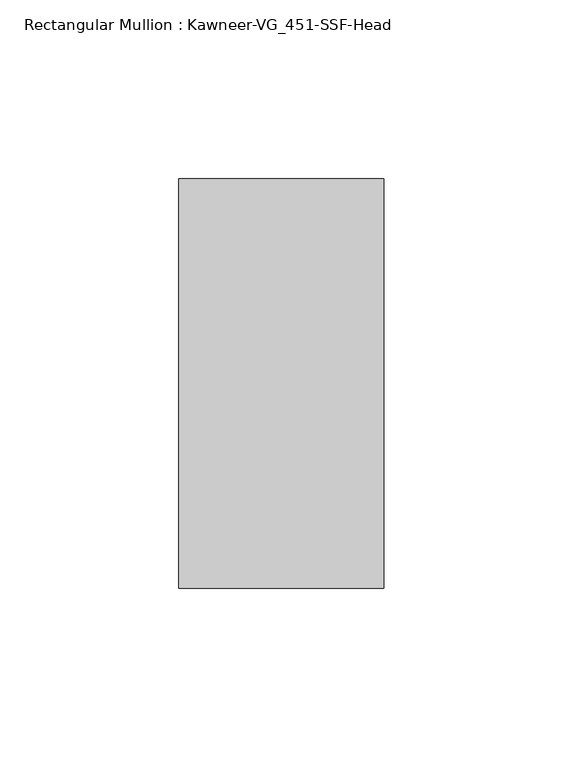
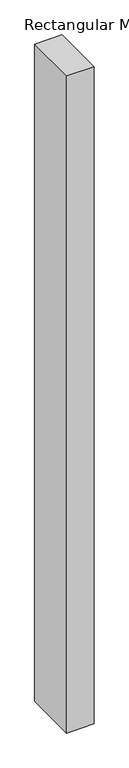
"""IFC4 building model written with IfcOpenShell, lengths in millimetres: member geometry, Rectangular Mullion : Kawneer-VG_451-SSF-Head."""

import ifcopenshell
import ifcopenshell.guid

model = None  # the IFC model being written
_history = None  # IfcOwnerHistory: only IFC2X3 demands one
_inside = {}  # id of a spatial element -> (the spatial element, [elements in it])
_under = {}  # id of a project, library or spatial element -> (it, [spatial elements below it])
_declared = {}  # id of a project -> (the project, [libraries it declares])
_typed = {}  # id of a type object -> (the type object, [elements of that type])
_made_of = {}  # id of a material, layer set ... -> (it, [elements and type objects made of it])


def new_model(schema):
    """Start an empty IFC model of exactly this schema.

    Asked for "IFC4X3", IfcOpenShell would pick the latest addendum, in which some entities
    have other attributes; the version numbers below select the first issue.
    IFC2X3 requires an IfcOwnerHistory on every rooted entity: one is made here for all.
    """
    global model, _history
    if schema == "IFC4X3":
        model = ifcopenshell.file(schema_version=(4, 3, 0, 0))
    else:
        model = ifcopenshell.file(schema=schema)
    _inside.clear()
    _under.clear()
    _declared.clear()
    _typed.clear()
    _made_of.clear()
    _history = None
    if model.schema == "IFC2X3":
        org = make("IfcOrganization", Name="unknown")
        user = make(
            "IfcPersonAndOrganization",
            ThePerson=make("IfcPerson", FamilyName="unknown"),
            TheOrganization=org,
        )
        app = make(
            "IfcApplication",
            ApplicationDeveloper=org,
            Version="unknown",
            ApplicationFullName="unknown",
            ApplicationIdentifier="unknown",
        )
        _history = make(
            "IfcOwnerHistory",
            OwningUser=user,
            OwningApplication=app,
            ChangeAction="ADDED",
            CreationDate=0,
        )
    return model


def make(cls, **values):
    """One entity of the class cls with the attributes given. An attribute that is None is left unset."""
    return model.create_entity(
        cls, **{name: value for name, value in values.items() if value is not None}
    )


def rooted(cls, **values):
    """An entity with a GlobalId (a new one), such as an element, a storey or a relation."""
    return make(cls, GlobalId=ifcopenshell.guid.new(), OwnerHistory=_history, **values)


def si_unit(unit_type, name, prefix=None):
    """IfcSIUnit, for example si_unit("LENGTHUNIT", "METRE", prefix="MILLI")."""
    return make("IfcSIUnit", UnitType=unit_type, Prefix=prefix, Name=name)


def assignment(units):
    """IfcUnitAssignment: the units of a project."""
    return None if units is None else make("IfcUnitAssignment", Units=units)


def point(xyz):
    """IfcCartesianPoint."""
    return None if xyz is None else make("IfcCartesianPoint", Coordinates=xyz)


def direction(xyz):
    """IfcDirection."""
    return None if xyz is None else make("IfcDirection", DirectionRatios=xyz)


def frame(location, z_axis=None, x_axis=None):
    """IfcAxis2Placement3D, a coordinate frame: its origin and axes. An axis left out is left unset."""
    return make(
        "IfcAxis2Placement3D",
        Location=point(location),
        Axis=direction(z_axis),
        RefDirection=direction(x_axis),
    )


def origin():
    """The frame at (0, 0, 0) with its axes left unset."""
    return frame((0.0, 0.0, 0.0))


def place(relative_to, where):
    """IfcLocalPlacement: puts the frame where relative to a parent placement (None: the world)."""
    return make(
        "IfcLocalPlacement", PlacementRelTo=relative_to, RelativePlacement=where
    )


def context(
    kind, dimensions, precision=None, world=None, true_north=None, identifier=None
):
    """IfcGeometricRepresentationContext, for example the 3D "Model" context."""
    return make(
        "IfcGeometricRepresentationContext",
        ContextIdentifier=identifier,
        ContextType=kind,
        CoordinateSpaceDimension=dimensions,
        Precision=precision,
        WorldCoordinateSystem=world,
        TrueNorth=true_north,
    )


def project(units=None, contexts=None):
    """IfcProject with its units and contexts."""
    return rooted(
        "IfcProject",
        Name="project",
        RepresentationContexts=contexts,
        UnitsInContext=assignment(units),
    )


def spatial(cls, under=None, at=None, **own):
    """A site, building, storey or space (cls), placed at a placement, below another one or the project."""
    s = rooted(cls, ObjectPlacement=at, **own)
    if under is not None:
        _under.setdefault(under.id(), (under, []))[1].append(s)
    return s


def polyline(points):
    """IfcPolyline through the points."""
    return make("IfcPolyline", Points=[point(p) for p in points])


def outline(outer, holes=None, kind="AREA"):
    """IfcArbitraryClosedProfileDef: a profile drawn as a closed curve; with holes, ...WithVoids."""
    if holes is None:
        return make("IfcArbitraryClosedProfileDef", ProfileType=kind, OuterCurve=outer)
    return make(
        "IfcArbitraryProfileDefWithVoids",
        ProfileType=kind,
        OuterCurve=outer,
        InnerCurves=holes,
    )


def extrude(swept, where, along, depth):
    """IfcExtrudedAreaSolid: the profile swept, set in the frame where, extruded along a direction by depth."""
    return make(
        "IfcExtrudedAreaSolid",
        SweptArea=swept,
        Position=where,
        ExtrudedDirection=direction(along),
        Depth=depth,
    )


def shape(context_of_items, identifier, shape_type, items):
    """IfcShapeRepresentation: the items that make up one representation, for example the "Body"."""
    return make(
        "IfcShapeRepresentation",
        ContextOfItems=context_of_items,
        RepresentationIdentifier=identifier,
        RepresentationType=shape_type,
        Items=items,
    )


def source(mapping_origin, context_of_items, identifier, shape_type, items):
    """IfcRepresentationMap: a shape defined once, which mapped items show again and again."""
    return make(
        "IfcRepresentationMap",
        MappingOrigin=mapping_origin,
        MappedRepresentation=shape(context_of_items, identifier, shape_type, items),
    )


def transform(
    local_origin,
    x_axis=None,
    y_axis=None,
    z_axis=None,
    scale=None,
    scale2=None,
    scale3=None,
    uniform=True,
):
    """IfcCartesianTransformationOperator3D, or its non-uniform kind. x_axis, y_axis, z_axis: its Axis1, 2, 3."""
    if uniform:
        return make(
            "IfcCartesianTransformationOperator3D",
            Axis1=direction(x_axis),
            Axis2=direction(y_axis),
            LocalOrigin=point(local_origin),
            Scale=scale,
            Axis3=direction(z_axis),
        )
    return make(
        "IfcCartesianTransformationOperator3DnonUniform",
        Axis1=direction(x_axis),
        Axis2=direction(y_axis),
        LocalOrigin=point(local_origin),
        Scale=scale,
        Axis3=direction(z_axis),
        Scale2=scale2,
        Scale3=scale3,
    )


def mapped(mapping_source, mapping_target):
    """IfcMappedItem: shows the shape of a source again, moved by a transform."""
    return make(
        "IfcMappedItem", MappingSource=mapping_source, MappingTarget=mapping_target
    )


def made_of(thing, what):
    """Note that an element or type object is made of a material, layer set ...; save() writes the relation."""
    if what is not None:
        _made_of.setdefault(what.id(), (what, []))[1].append(thing)
    return thing


def element(
    cls,
    number,
    at=None,
    inside=None,
    cuts=None,
    type_object=None,
    material=None,
    context=None,
    identifier="Body",
    shape_type=None,
    held_by="IfcProductDefinitionShape",
    body=None,
    shapes=None,
    **own,
):
    """One element of the class cls, such as IfcWall. Its Tag is "e" and its number.

    at: its placement. inside: the storey or other place that contains it. cuts: it is an
    opening in that element (IfcRelVoidsElement). A single representation is given by context,
    identifier, shape_type and body (its items); several are given by shapes. held_by: the class
    of the entity that holds the representations. save() writes the other relations.
    """
    e = rooted(cls, Tag="e%d" % number, ObjectPlacement=at, **own)
    if body is not None:
        shapes = [shape(context, identifier, shape_type, body)]
    if shapes is not None:
        e.Representation = make(held_by, Representations=shapes)
    if inside is not None:
        _inside.setdefault(inside.id(), (inside, []))[1].append(e)
    if cuts is not None:
        rooted(
            "IfcRelVoidsElement", RelatingBuildingElement=cuts, RelatedOpeningElement=e
        )
    if type_object is not None:
        _typed.setdefault(type_object.id(), (type_object, []))[1].append(e)
    return made_of(e, material)


def aggregate(whole, parts):
    """IfcRelAggregates: a whole, such as a stair, and the parts it consists of."""
    return rooted("IfcRelAggregates", RelatingObject=whole, RelatedObjects=parts)


def save(model, path):
    """Write the relations noted so far, then the file.

    IfcRelAggregates (storeys below a building ...), IfcRelContainedInSpatialStructure (elements
    in a storey), IfcRelDefinesByType, IfcRelAssociatesMaterial and IfcRelDeclares: one each for
    every whole, place, type object, material and project.
    """
    for whole, parts in _under.values():
        aggregate(whole, parts)
    for where, things in _inside.values():
        rooted(
            "IfcRelContainedInSpatialStructure",
            RelatedElements=things,
            RelatingStructure=where,
        )
    for kind, things in _typed.values():
        rooted("IfcRelDefinesByType", RelatedObjects=things, RelatingType=kind)
    for what, things in _made_of.values():
        rooted("IfcRelAssociatesMaterial", RelatedObjects=things, RelatingMaterial=what)
    for by, libraries in _declared.values():
        rooted("IfcRelDeclares", RelatingContext=by, RelatedDefinitions=libraries)
    model.write(path)


def rectangular_mullion_kawneer_vg_451_ssf_head_1aaa4fa9(model_context):
    return source(origin(), model_context, "Body", "SweptSolid", [
        extrude(outline(polyline([(-57.15, -57.15), (-57.15, 57.15), (0.0, 57.15), (0.0, -57.15), (-57.15, -57.15)])), frame((0.0, 0.0, -1441.45), z_axis=(0.0, 0.0, 1.0), x_axis=(1.0, 0.0, 0.0)), (0.0, 0.0, 1.0), 1441.45),
    ])


if __name__ == "__main__":
    model = new_model("IFC4")
    model_context = context("Model", 3, world=origin())
    ifc_project = project(units=[si_unit("LENGTHUNIT", "METRE", prefix="MILLI")], contexts=[model_context])
    site = spatial("IfcSite", under=ifc_project)
    building = spatial("IfcBuilding", under=site)
    placement = place(None, origin())
    rectangular_mullion_kawneer_vg_451_ssf_head_shape = rectangular_mullion_kawneer_vg_451_ssf_head_1aaa4fa9(model_context)
    element("IfcMember", 1, ObjectType="Rectangular Mullion : Kawneer-VG_451-SSF-Head", at=placement, inside=building, context=model_context, shape_type="MappedRepresentation", body=[
        mapped(rectangular_mullion_kawneer_vg_451_ssf_head_shape, transform((0.0, 0.0, 0.0), x_axis=(1.0, 0.0, 0.0), y_axis=(0.0, 1.0, 0.0), z_axis=(0.0, 0.0, 1.0))),
    ])
    save(model, "model.ifc")
